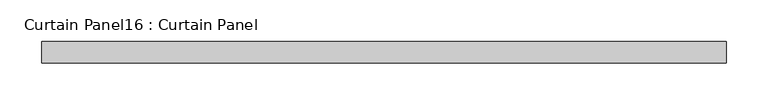
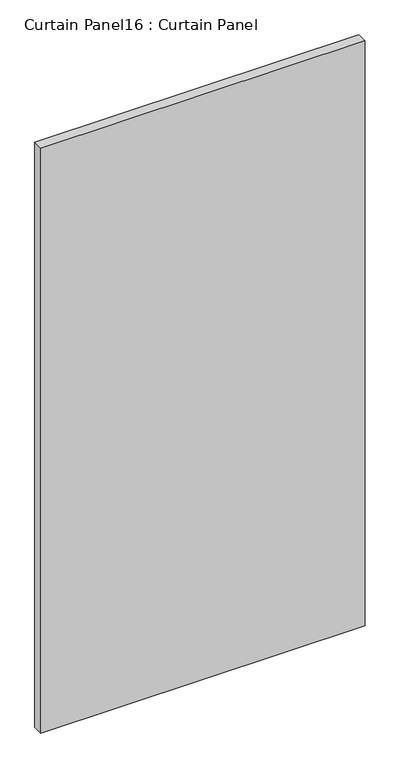
"""IFC4 building model written with IfcOpenShell, lengths in millimetres: plate geometry, Curtain Panel16 : Curtain Panel."""

from ifc_helpers import new_model, si_unit, frame, origin, place, context, project, spatial, polyline, outline, extrude, source, transform, mapped, element, save


def curtain_panel16_curtain_panel_dde0deb8(model_context):
    return source(origin(), model_context, "Body", "SweptSolid", [
        extrude(outline(polyline([(-43734.5808597, -2018.7883286), (-44551.2676126, -2018.7883286), (-44551.2676126, -1993.3883286), (-43734.5808597, -1993.3883286), (-43734.5808597, -2018.7883286)])), frame((0.0, 0.0, 78.5373114), z_axis=(0.0, 0.0, 1.0), x_axis=(1.0, 0.0, 0.0)), (0.0, 0.0, 1.0), 1556.5434307),
    ])


if __name__ == "__main__":
    model = new_model("IFC4")
    model_context = context("Model", 3, world=origin())
    ifc_project = project(units=[si_unit("LENGTHUNIT", "METRE", prefix="MILLI")], contexts=[model_context])
    site = spatial("IfcSite", under=ifc_project)
    building = spatial("IfcBuilding", under=site)
    placement = place(None, origin())
    curtain_panel16_curtain_panel_shape = curtain_panel16_curtain_panel_dde0deb8(model_context)
    element("IfcPlate", 1, ObjectType="Curtain Panel16 : Curtain Panel", at=placement, inside=building, context=model_context, shape_type="MappedRepresentation", body=[
        mapped(curtain_panel16_curtain_panel_shape, transform((0.0, 0.0, 0.0), x_axis=(1.0, 0.0, 0.0), y_axis=(0.0, 1.0, 0.0), z_axis=(0.0, 0.0, 1.0))),
    ])
    save(model, "model.ifc")
